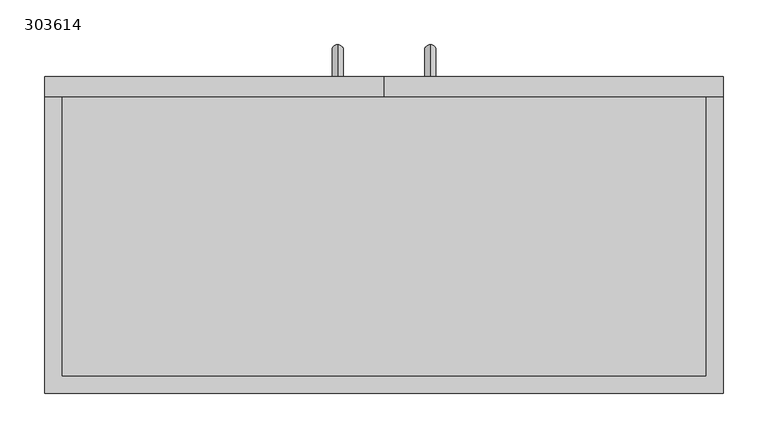
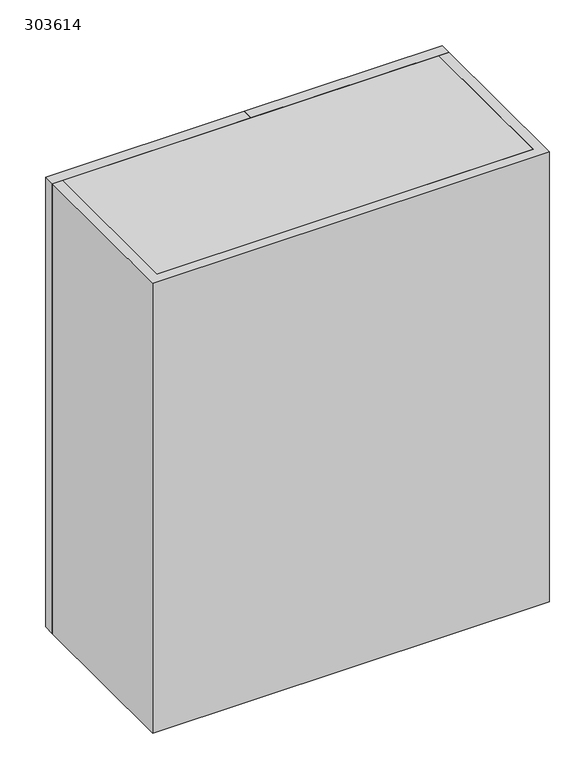
"""IFC4 building model written with IfcOpenShell, lengths in millimetres: furniture geometry, 303614."""

from ifc_helpers import new_model, si_unit, frame, origin, place, context, project, spatial, polyline, circle_curve, ellipse_curve, outline, extrude, source, transform, mapped, element, save
from ifc_brep_helpers import plane_surface, cylinder_surface, advanced_brep


def furniture_303614_5b1008b5(model_context):
    return source(origin(), model_context, "Body", "SolidModel", [
        extrude(outline(polyline([(381.0, 384.4), (0.0, 384.4), (0.0, 406.4), (381.0, 406.4), (381.0, 384.4)])), frame((0.0, 0.0, 1219.2), z_axis=(0.0, 0.0, 1.0), x_axis=(1.0, 0.0, 0.0)), (0.0, 0.0, 1.0), 914.4),
        extrude(outline(polyline([(0.0, 384.4), (-381.0, 384.4), (-381.0, 406.4), (0.0, 406.4), (0.0, 384.4)])), frame((0.0, 0.0, 1219.2), z_axis=(0.0, 0.0, 1.0), x_axis=(1.0, 0.0, 0.0)), (0.0, 0.0, 1.0), 914.4),
        extrude(outline(polyline([(361.8, 384.4), (381.0, 384.4), (381.0, 50.8), (-381.0, 50.8), (-381.0, 384.4), (-361.8, 384.4), (-361.8, 70.0), (361.8, 70.0), (361.8, 384.4)])), frame((0.0, 0.0, 1219.2), z_axis=(0.0, 0.0, 1.0), x_axis=(1.0, 0.0, 0.0)), (0.0, 0.0, 1.0), 914.4),
        extrude(outline(polyline([(361.8, 70.0), (-361.8, 70.0), (-361.8, 384.4), (361.8, 384.4), (361.8, 70.0)])), frame((0.0, 0.0, 1816.2666667), z_axis=(0.0, 0.0, 1.0), x_axis=(1.0, 0.0, 0.0)), (0.0, 0.0, 1.0), 19.2),
        extrude(outline(polyline([(361.8, 70.0), (-361.8, 70.0), (-361.8, 384.4), (361.8, 384.4), (361.8, 70.0)])), frame((0.0, 0.0, 1518.1333333), z_axis=(0.0, 0.0, 1.0), x_axis=(1.0, 0.0, 0.0)), (0.0, 0.0, 1.0), 19.2),
        advanced_brep(
        [(-52.0, 406.4, 1337.55), (-52.0, 406.4, 1324.85), (-52.0, 430.05, 1337.55), (-52.0, 442.75, 1324.85), (-52.0, 430.05, 1452.85), (-52.0, 442.75, 1465.55), (-52.0, 406.4, 1452.85), (-52.0, 406.4, 1465.55)],
        [
            (0, 1, circle_curve(frame((-52.0, 406.4, 1331.2), z_axis=(0.0, -1.0, 0.0), x_axis=(0.0, 0.0, -1.0)), 6.35)),
            (1, 0, circle_curve(frame((-52.0, 406.4, 1331.2), z_axis=(0.0, -1.0, 0.0), x_axis=(0.0, 0.0, -1.0)), 6.35)),
            (0, 2),
            (2, 3, ellipse_curve(frame((-52.0, 436.4, 1331.2), z_axis=(0.0, -0.7071067811865475, -0.7071067811865475), x_axis=(0.0, -0.7071067811865476, 0.7071067811865474)), 8.9802561, 6.35)),
            (3, 1),
            (3, 2, ellipse_curve(frame((-52.0, 436.4, 1331.2), z_axis=(0.0, -0.7071067811865475, -0.7071067811865475), x_axis=(0.0, -0.7071067811865476, 0.7071067811865474)), 8.9802561, 6.35)),
            (2, 4),
            (4, 5, ellipse_curve(frame((-52.0, 436.4, 1459.2), z_axis=(0.0, 0.7071067811865475, -0.7071067811865475), x_axis=(0.0, -0.7071067811865474, -0.7071067811865476)), 8.9802561, 6.35)),
            (5, 3),
            (5, 4, ellipse_curve(frame((-52.0, 436.4, 1459.2), z_axis=(0.0, 0.7071067811865475, -0.7071067811865475), x_axis=(0.0, -0.7071067811865474, -0.7071067811865476)), 8.9802561, 6.35)),
            (6, 7, circle_curve(frame((-52.0, 406.4, 1459.2), z_axis=(0.0, -1.0, 0.0), x_axis=(0.0, 0.0, 1.0)), 6.35)),
            (7, 6, circle_curve(frame((-52.0, 406.4, 1459.2), z_axis=(0.0, -1.0, 0.0), x_axis=(0.0, 0.0, 1.0)), 6.35)),
            (4, 6),
            (7, 5),
        ],
        [
            plane_surface(frame((-52.0, 406.4, 1331.2), z_axis=(0.0, -1.0, 0.0), x_axis=(-1.0, 0.0, 0.0))),
            cylinder_surface(frame((-52.0, 406.4, 1331.2), z_axis=(0.0, -1.0, 0.0), x_axis=(0.0, 0.0, -1.0)), 6.35),
            cylinder_surface(frame((-52.0, 436.4, 1331.2), z_axis=(0.0, 0.0, -1.0), x_axis=(0.0, 1.0, 0.0)), 6.35),
            plane_surface(frame((-52.0, 406.4, 1459.2), z_axis=(0.0, -1.0, 0.0), x_axis=(-1.0, 0.0, 0.0))),
            cylinder_surface(frame((-52.0, 436.4, 1459.2), z_axis=(0.0, 1.0, 0.0), x_axis=(0.0, 0.0, 1.0)), 6.35),
        ],
        [
            (0, [[1, 2]]),
            (1, [[-1, 3, 4, 5]]),
            (1, [[-2, -5, 6, -3]]),
            (2, [[-4, 7, 8, 9]]),
            (2, [[-6, -9, 10, -7]]),
            (3, [[11, 12]]),
            (4, [[-8, 13, -12, 14]]),
            (4, [[-10, -14, -11, -13]]),
        ],
    ),
        advanced_brep(
        [(52.0, 406.4, 1337.55), (52.0, 406.4, 1324.85), (52.0, 430.05, 1337.55), (52.0, 442.75, 1324.85), (52.0, 430.05, 1452.85), (52.0, 442.75, 1465.55), (52.0, 406.4, 1452.85), (52.0, 406.4, 1465.55)],
        [
            (0, 1, circle_curve(frame((52.0, 406.4, 1331.2), z_axis=(0.0, -1.0, 0.0), x_axis=(0.0, 0.0, -1.0)), 6.35)),
            (1, 0, circle_curve(frame((52.0, 406.4, 1331.2), z_axis=(0.0, -1.0, 0.0), x_axis=(0.0, 0.0, -1.0)), 6.35)),
            (0, 2),
            (2, 3, ellipse_curve(frame((52.0, 436.4, 1331.2), z_axis=(0.0, -0.7071067811865475, -0.7071067811865475), x_axis=(0.0, -0.7071067811865476, 0.7071067811865474)), 8.9802561, 6.35)),
            (3, 1),
            (3, 2, ellipse_curve(frame((52.0, 436.4, 1331.2), z_axis=(0.0, -0.7071067811865475, -0.7071067811865475), x_axis=(0.0, -0.7071067811865476, 0.7071067811865474)), 8.9802561, 6.35)),
            (2, 4),
            (4, 5, ellipse_curve(frame((52.0, 436.4, 1459.2), z_axis=(0.0, 0.7071067811865475, -0.7071067811865475), x_axis=(0.0, -0.7071067811865474, -0.7071067811865476)), 8.9802561, 6.35)),
            (5, 3),
            (5, 4, ellipse_curve(frame((52.0, 436.4, 1459.2), z_axis=(0.0, 0.7071067811865475, -0.7071067811865475), x_axis=(0.0, -0.7071067811865474, -0.7071067811865476)), 8.9802561, 6.35)),
            (6, 7, circle_curve(frame((52.0, 406.4, 1459.2), z_axis=(0.0, -1.0, 0.0), x_axis=(0.0, 0.0, 1.0)), 6.35)),
            (7, 6, circle_curve(frame((52.0, 406.4, 1459.2), z_axis=(0.0, -1.0, 0.0), x_axis=(0.0, 0.0, 1.0)), 6.35)),
            (4, 6),
            (7, 5),
        ],
        [
            plane_surface(frame((52.0, 406.4, 1331.2), z_axis=(0.0, -1.0, 0.0), x_axis=(-1.0, 0.0, 0.0))),
            cylinder_surface(frame((52.0, 406.4, 1331.2), z_axis=(0.0, -1.0, 0.0), x_axis=(0.0, 0.0, -1.0)), 6.35),
            cylinder_surface(frame((52.0, 436.4, 1331.2), z_axis=(0.0, 0.0, -1.0), x_axis=(0.0, 1.0, 0.0)), 6.35),
            plane_surface(frame((52.0, 406.4, 1459.2), z_axis=(0.0, -1.0, 0.0), x_axis=(-1.0, 0.0, 0.0))),
            cylinder_surface(frame((52.0, 436.4, 1459.2), z_axis=(0.0, 1.0, 0.0), x_axis=(0.0, 0.0, 1.0)), 6.35),
        ],
        [
            (0, [[1, 2]]),
            (1, [[-1, 3, 4, 5]]),
            (1, [[-2, -5, 6, -3]]),
            (2, [[-4, 7, 8, 9]]),
            (2, [[-6, -9, 10, -7]]),
            (3, [[11, 12]]),
            (4, [[-8, 13, -12, 14]]),
            (4, [[-10, -14, -11, -13]]),
        ],
    ),
        extrude(outline(polyline([(361.8, 384.4), (361.8, 70.0), (-361.8, 70.0), (-361.8, 384.4), (361.8, 384.4)])), frame((0.0, 0.0, 2111.6), z_axis=(0.0, 0.0, 1.0), x_axis=(1.0, 0.0, 0.0)), (0.0, 0.0, 1.0), 22.0),
        extrude(outline(polyline([(361.8, 384.4), (361.8, 70.0), (-361.8, 70.0), (-361.8, 384.4), (361.8, 384.4)])), frame((0.0, 0.0, 1219.2), z_axis=(0.0, 0.0, 1.0), x_axis=(1.0, 0.0, 0.0)), (0.0, 0.0, 1.0), 20.0),
    ])


if __name__ == "__main__":
    model = new_model("IFC4")
    model_context = context("Model", 3, world=origin())
    ifc_project = project(units=[si_unit("LENGTHUNIT", "METRE", prefix="MILLI")], contexts=[model_context])
    site = spatial("IfcSite", under=ifc_project)
    building = spatial("IfcBuilding", under=site)
    placement = place(None, origin())
    furniture_303614_shape = furniture_303614_5b1008b5(model_context)
    element("IfcFurniture", 1, ObjectType="303614", at=placement, inside=building, context=model_context, shape_type="MappedRepresentation", body=[
        mapped(furniture_303614_shape, transform((0.0, 0.0, 0.0), x_axis=(1.0, 0.0, 0.0), y_axis=(0.0, 1.0, 0.0), z_axis=(0.0, 0.0, 1.0))),
    ])
    save(model, "model.ifc")
